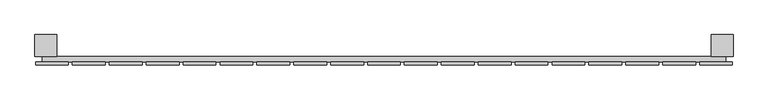
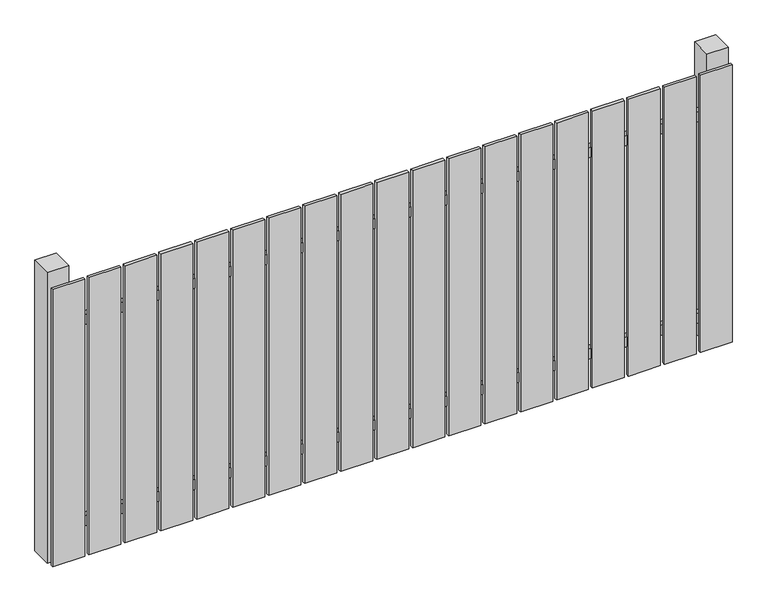
"""IFC4 building model written with IfcOpenShell, lengths in millimetres: railing geometry."""

from ifc_helpers import new_model, si_unit, frame, origin, origin_with_axes, place, context, project, spatial, polyline, outline, extrude, source, transform, mapped, element, save


def railing_1c61a003(model_context):
    return source(origin(), model_context, "Body", "SweptSolid", [
        extrude(outline(polyline([(11087.4299228, -106439.0267127), (11087.4299228, -106419.0267127), (13587.4299228, -106419.0267127), (13587.4299228, -106439.0267127), (11087.4299228, -106439.0267127)])), frame((0.0, 0.0, 110.0), z_axis=(0.0, 0.0, 1.0), x_axis=(1.0, 0.0, 0.0)), (0.0, 0.0, 1.0), 40.0),
        extrude(outline(polyline([(11087.4299228, -106439.0267127), (11087.4299228, -106419.0267127), (13587.4299228, -106419.0267127), (13587.4299228, -106439.0267127), (11087.4299228, -106439.0267127)])), frame((0.0, 0.0, 910.0), z_axis=(0.0, 0.0, 1.0), x_axis=(1.0, 0.0, 0.0)), (0.0, 0.0, 1.0), 40.0),
        extrude(outline(polyline([(13492.4299228, -106450.5267127), (13492.4299228, -106439.5267127), (13612.4299228, -106439.5267127), (13612.4299228, -106450.5267127), (13492.4299228, -106450.5267127)])), origin_with_axes(), (0.0, 0.0, 1.0), 1100.0),
        extrude(outline(polyline([(13357.4299228, -106450.5267127), (13357.4299228, -106439.5267127), (13477.4299228, -106439.5267127), (13477.4299228, -106450.5267127), (13357.4299228, -106450.5267127)])), origin_with_axes(), (0.0, 0.0, 1.0), 1100.0),
        extrude(outline(polyline([(13222.4299228, -106450.5267127), (13222.4299228, -106439.5267127), (13342.4299228, -106439.5267127), (13342.4299228, -106450.5267127), (13222.4299228, -106450.5267127)])), origin_with_axes(), (0.0, 0.0, 1.0), 1100.0),
        extrude(outline(polyline([(13087.4299228, -106450.5267127), (13087.4299228, -106439.5267127), (13207.4299228, -106439.5267127), (13207.4299228, -106450.5267127), (13087.4299228, -106450.5267127)])), origin_with_axes(), (0.0, 0.0, 1.0), 1100.0),
        extrude(outline(polyline([(12952.4299228, -106450.5267127), (12952.4299228, -106439.5267127), (13072.4299228, -106439.5267127), (13072.4299228, -106450.5267127), (12952.4299228, -106450.5267127)])), origin_with_axes(), (0.0, 0.0, 1.0), 1100.0),
        extrude(outline(polyline([(12817.4299228, -106450.5267127), (12817.4299228, -106439.5267127), (12937.4299228, -106439.5267127), (12937.4299228, -106450.5267127), (12817.4299228, -106450.5267127)])), origin_with_axes(), (0.0, 0.0, 1.0), 1100.0),
        extrude(outline(polyline([(12682.4299228, -106450.5267127), (12682.4299228, -106439.5267127), (12802.4299228, -106439.5267127), (12802.4299228, -106450.5267127), (12682.4299228, -106450.5267127)])), origin_with_axes(), (0.0, 0.0, 1.0), 1100.0),
        extrude(outline(polyline([(12547.4299228, -106450.5267127), (12547.4299228, -106439.5267127), (12667.4299228, -106439.5267127), (12667.4299228, -106450.5267127), (12547.4299228, -106450.5267127)])), origin_with_axes(), (0.0, 0.0, 1.0), 1100.0),
        extrude(outline(polyline([(12412.4299228, -106450.5267127), (12412.4299228, -106439.5267127), (12532.4299228, -106439.5267127), (12532.4299228, -106450.5267127), (12412.4299228, -106450.5267127)])), origin_with_axes(), (0.0, 0.0, 1.0), 1100.0),
        extrude(outline(polyline([(12277.4299228, -106450.5267127), (12277.4299228, -106439.5267127), (12397.4299228, -106439.5267127), (12397.4299228, -106450.5267127), (12277.4299228, -106450.5267127)])), origin_with_axes(), (0.0, 0.0, 1.0), 1100.0),
        extrude(outline(polyline([(12142.4299228, -106450.5267127), (12142.4299228, -106439.5267127), (12262.4299228, -106439.5267127), (12262.4299228, -106450.5267127), (12142.4299228, -106450.5267127)])), origin_with_axes(), (0.0, 0.0, 1.0), 1100.0),
        extrude(outline(polyline([(12007.4299228, -106450.5267127), (12007.4299228, -106439.5267127), (12127.4299228, -106439.5267127), (12127.4299228, -106450.5267127), (12007.4299228, -106450.5267127)])), origin_with_axes(), (0.0, 0.0, 1.0), 1100.0),
        extrude(outline(polyline([(11872.4299228, -106450.5267127), (11872.4299228, -106439.5267127), (11992.4299228, -106439.5267127), (11992.4299228, -106450.5267127), (11872.4299228, -106450.5267127)])), origin_with_axes(), (0.0, 0.0, 1.0), 1100.0),
        extrude(outline(polyline([(11737.4299228, -106450.5267127), (11737.4299228, -106439.5267127), (11857.4299228, -106439.5267127), (11857.4299228, -106450.5267127), (11737.4299228, -106450.5267127)])), origin_with_axes(), (0.0, 0.0, 1.0), 1100.0),
        extrude(outline(polyline([(11602.4299228, -106450.5267127), (11602.4299228, -106439.5267127), (11722.4299228, -106439.5267127), (11722.4299228, -106450.5267127), (11602.4299228, -106450.5267127)])), origin_with_axes(), (0.0, 0.0, 1.0), 1100.0),
        extrude(outline(polyline([(11467.4299228, -106450.5267127), (11467.4299228, -106439.5267127), (11587.4299228, -106439.5267127), (11587.4299228, -106450.5267127), (11467.4299228, -106450.5267127)])), origin_with_axes(), (0.0, 0.0, 1.0), 1100.0),
        extrude(outline(polyline([(11332.4299228, -106450.5267127), (11332.4299228, -106439.5267127), (11452.4299228, -106439.5267127), (11452.4299228, -106450.5267127), (11332.4299228, -106450.5267127)])), origin_with_axes(), (0.0, 0.0, 1.0), 1100.0),
        extrude(outline(polyline([(11197.4299228, -106450.5267127), (11197.4299228, -106439.5267127), (11317.4299228, -106439.5267127), (11317.4299228, -106450.5267127), (11197.4299228, -106450.5267127)])), origin_with_axes(), (0.0, 0.0, 1.0), 1100.0),
        extrude(outline(polyline([(11062.4299228, -106450.5267127), (11062.4299228, -106439.5267127), (11182.4299228, -106439.5267127), (11182.4299228, -106450.5267127), (11062.4299228, -106450.5267127)])), origin_with_axes(), (0.0, 0.0, 1.0), 1100.0),
        extrude(outline(polyline([(13534.9299228, -106339.0267127), (13614.9299228, -106339.0267127), (13614.9299228, -106419.0267127), (13534.9299228, -106419.0267127), (13534.9299228, -106339.0267127)])), frame((0.0, 0.0, -4.0), z_axis=(0.0, 0.0, 1.0), x_axis=(1.0, 0.0, 0.0)), (0.0, 0.0, 1.0), 1154.0),
        extrude(outline(polyline([(11059.9299228, -106339.0267127), (11139.9299228, -106339.0267127), (11139.9299228, -106419.0267127), (11059.9299228, -106419.0267127), (11059.9299228, -106339.0267127)])), frame((0.0, 0.0, -4.0), z_axis=(0.0, 0.0, 1.0), x_axis=(1.0, 0.0, 0.0)), (0.0, 0.0, 1.0), 1154.0),
    ])


if __name__ == "__main__":
    model = new_model("IFC4")
    model_context = context("Model", 3, world=origin())
    ifc_project = project(units=[si_unit("LENGTHUNIT", "METRE", prefix="MILLI")], contexts=[model_context])
    site = spatial("IfcSite", under=ifc_project)
    building = spatial("IfcBuilding", under=site)
    placement = place(None, origin())
    railing_shape = railing_1c61a003(model_context)
    element("IfcRailing", 1, at=placement, inside=building, context=model_context, shape_type="MappedRepresentation", body=[
        mapped(railing_shape, transform((0.0, 0.0, 0.0), x_axis=(1.0, 0.0, 0.0), y_axis=(0.0, 1.0, 0.0), z_axis=(0.0, 0.0, 1.0))),
    ])
    save(model, "model.ifc")
